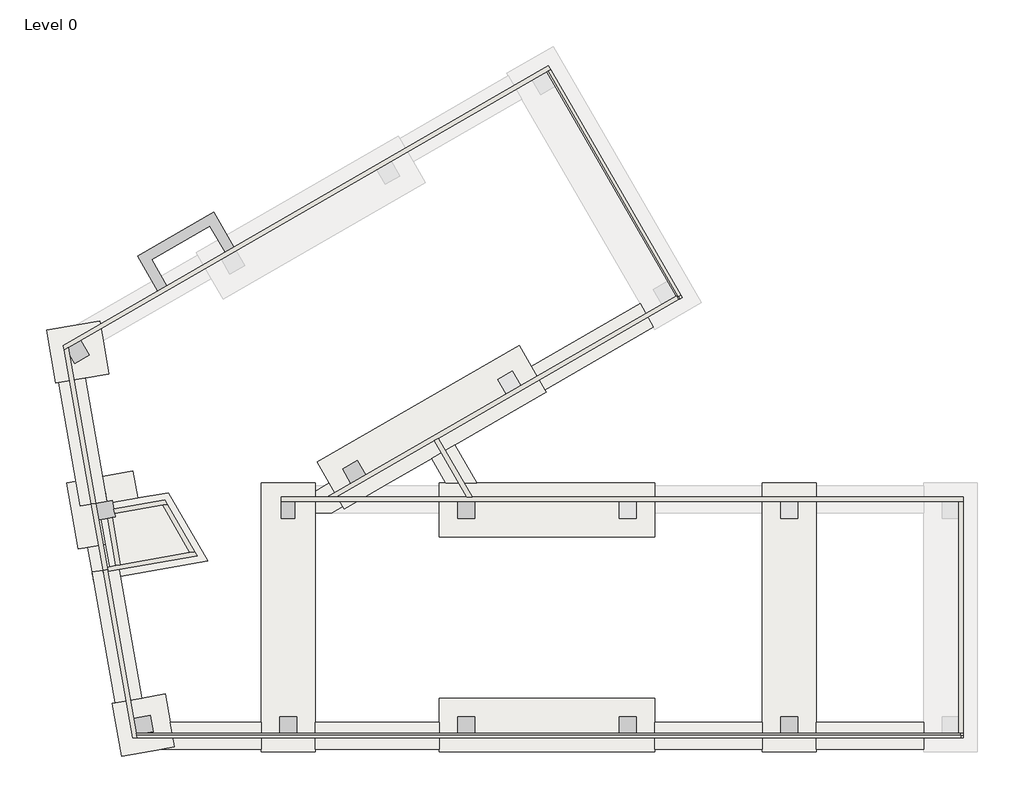
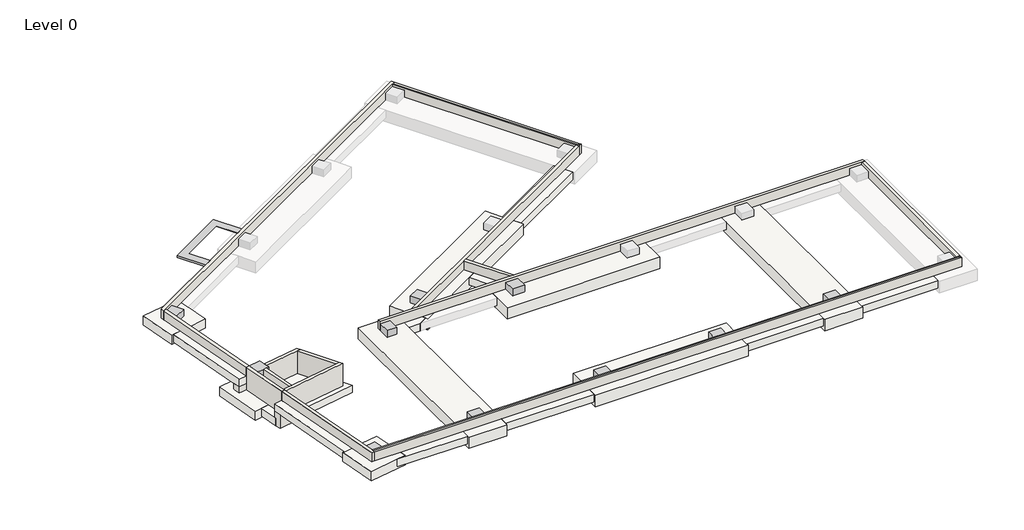
# One storey, part 1 of 2: 16 walls, 10 columns, 9 slabs, 7 footings, 1 proxy.
"""IFC4 building model written with IfcOpenShell, lengths in millimetres."""

from ifc_helpers import new_model, si_unit, frame, origin, place, context, project, spatial, polyline, outline, extrude, faceted_brep, element, save

model = new_model("IFC4")

# Units and contexts
model_context = context("Model", 3, world=origin())
ifc_project = project(units=[si_unit("LENGTHUNIT", "METRE", prefix="MILLI")], contexts=[model_context])

# Site, building, storey
site = spatial("IfcSite", under=ifc_project)
building = spatial("IfcBuilding", under=site)
storey = spatial("IfcBuildingStorey", under=building, Name="Level 0", Elevation=-762.0)

# Proxy
placement = place(None, origin())
element("IfcBuildingElementProxy", 1, Name="Thickened 24\" x 12\"", ObjectType="Thickened 24\" x 12\"", at=placement, inside=storey, context=model_context, shape_type="Brep", body=[
    faceted_brep([(651.5082497, 19689.2551409, -304.8), (915.4727928, 19841.6551409, -304.8), (1047.4550643, 19917.8551409, -152.4), (651.5082497, 19689.2551409, -152.4), (-262.8917503, 21273.0423994, -304.8), (-262.8917503, 21273.0423994, -152.4), (153.4727928, 21161.4778563, -304.8), (361.6550643, 21105.6955848, -152.4), (3179.6924243, 23260.6192993, -304.8), (3179.6924243, 23260.6192993, -152.4), (3068.1278813, 22844.2547563, -304.8), (3012.3456097, 22636.0724847, -152.4), (3830.1278813, 21524.4320409, -304.8), (4094.0924243, 21676.8320409, -304.8), (4094.0924243, 21676.8320409, -152.4), (3698.1456097, 21448.2320409, -152.4)], [[[0, 1, 2, 3]], [[4, 0, 3, 5]], [[1, 6, 7, 2]], [[4, 6, 1, 0]], [[8, 4, 5, 9]], [[6, 10, 11, 7]], [[6, 4, 8, 10]], [[12, 13, 14, 15]], [[13, 8, 9, 14]], [[10, 12, 15, 11]], [[10, 8, 13, 12]], [[3, 2, 7, 11, 15, 14, 9, 5]]]),
])

# Columns
element("IfcColumn", 2, ObjectType="Concrete-Rectangular-Column : 24\"x30\"", at=placement, inside=storey, context=model_context, shape_type="SweptSolid", body=[
    extrude(outline(polyline([(6861.2487391, 10134.6), (6861.2487391, 9372.6), (6251.6487391, 9372.6), (6251.6487391, 10134.6), (6861.2487391, 10134.6)])), frame((0.0, 0.0, -762.0), z_axis=(0.0, 0.0, 1.0), x_axis=(1.0, 0.0, 0.0)), (0.0, 0.0, 1.0), 457.2),
])
element("IfcColumn", 3, ObjectType="Concrete-Square-Column : 30\"x30\"", at=placement, inside=storey, context=model_context, shape_type="SweptSolid", body=[
    extrude(outline(polyline([(14249.4, 9372.6), (14249.4, 10134.6), (15011.4, 10134.6), (15011.4, 9372.6), (14249.4, 9372.6)])), frame((0.0, 0.0, -762.0), z_axis=(0.0, 0.0, 1.0), x_axis=(1.0, 0.0, 0.0)), (0.0, 0.0, 1.0), 457.2),
])
element("IfcColumn", 4, ObjectType="Concrete-Square-Column : 30\"x30\"", at=placement, inside=storey, context=model_context, shape_type="SweptSolid", body=[
    extrude(outline(polyline([(-441.3717096, 309.0517982), (309.0517982, 441.3717096), (441.3717096, -309.0517982), (33.3331808, -381.0), (-319.6969595, -381.0), (-441.3717096, 309.0517982)])), frame((0.0, 0.0, -762.0), z_axis=(0.0, 0.0, 1.0), x_axis=(1.0, 0.0, 0.0)), (0.0, 0.0, 1.0), 457.2),
])
element("IfcColumn", 5, ObjectType="Concrete-Square-Column : 30\"x30\"", at=placement, inside=storey, context=model_context, shape_type="Brep", body=[
    faceted_brep([(-2028.8746372, 9312.2282904, -1676.4), (-2161.1945486, 10062.6517982, -1676.4), (-1660.9122101, 10150.8650725, -1676.4), (-1410.7710408, 10194.9717096, -1676.4), (-1340.2004214, 9794.7458388, -1676.4), (-1304.9151117, 9594.6329034, -1676.4), (-1278.4511294, 9444.5482018, -1676.4), (-1428.535831, 9418.0842195, -1676.4), (-1628.6487664, 9382.7989098, -1676.4), (-2028.8746372, 9312.2282904, -152.4), (-2161.1945486, 10062.6517982, -152.4), (-2161.1945486, 10062.6517982, -762.0), (-1410.7710408, 10194.9717096, -152.4), (-1340.2004214, 9794.7458388, -152.4), (-1304.9151117, 9594.6329034, -152.4), (-1278.4511294, 9444.5482018, -152.4), (-1428.535831, 9418.0842195, -152.4), (-1628.6487664, 9382.7989098, -152.4)], [[[0, 1, 2, 3, 4, 5, 6, 7, 8]], [[1, 0, 9, 10, 11]], [[10, 12, 3, 2, 1, 11]], [[3, 12, 13, 14, 15, 6, 5, 4]], [[9, 0, 8, 7, 6, 15, 16, 17]], [[10, 9, 17, 16, 15, 14, 13, 12]]]),
])
element("IfcColumn", 6, ObjectType="Concrete-Square-Column : 30\"x30\"", at=placement, inside=storey, context=model_context, shape_type="SweptSolid", body=[
    extrude(outline(polyline([(6937.4487391, 381.0), (6937.4487391, -381.0), (6175.4487391, -381.0), (6175.4487391, 381.0), (6937.4487391, 381.0)])), frame((0.0, 0.0, -762.0), z_axis=(0.0, 0.0, 1.0), x_axis=(1.0, 0.0, 0.0)), (0.0, 0.0, 1.0), 457.2),
])
element("IfcColumn", 7, ObjectType="Concrete-Square-Column : 30\"x30\"", at=placement, inside=storey, context=model_context, shape_type="SweptSolid", body=[
    extrude(outline(polyline([(14249.4, -381.0), (14249.4, 381.0), (15011.4, 381.0), (15011.4, -381.0), (14249.4, -381.0)])), frame((0.0, 0.0, -762.0), z_axis=(0.0, 0.0, 1.0), x_axis=(1.0, 0.0, 0.0)), (0.0, 0.0, 1.0), 457.2),
])
element("IfcColumn", 8, ObjectType="Concrete-Square-Column : 30\"x30\"", at=placement, inside=storey, context=model_context, shape_type="SweptSolid", body=[
    extrude(outline(polyline([(21564.6, -381.0), (21564.6, 381.0), (22326.6, 381.0), (22326.6, -381.0), (21564.6, -381.0)])), frame((0.0, 0.0, -762.0), z_axis=(0.0, 0.0, 1.0), x_axis=(1.0, 0.0, 0.0)), (0.0, 0.0, 1.0), 457.2),
])
element("IfcColumn", 9, ObjectType="Concrete-Square-Column : 30\"x30\"", at=placement, inside=storey, context=model_context, shape_type="SweptSolid", body=[
    extrude(outline(polyline([(28879.8, -381.0), (28879.8, 381.0), (29641.8, 381.0), (29641.8, -381.0), (28879.8, -381.0)])), frame((0.0, 0.0, -762.0), z_axis=(0.0, 0.0, 1.0), x_axis=(1.0, 0.0, 0.0)), (0.0, 0.0, 1.0), 457.2),
])
element("IfcColumn", 10, ObjectType="Concrete-Square-Column : 30\"x30\"", at=placement, inside=storey, context=model_context, shape_type="SweptSolid", body=[
    extrude(outline(polyline([(9403.1810667, 10957.2207705), (9022.1810667, 11617.1321282), (9682.0924243, 11998.1321282), (10063.0924243, 11338.2207705), (9403.1810667, 10957.2207705)])), frame((0.0, 0.0, -762.0), z_axis=(0.0, 0.0, 1.0), x_axis=(1.0, 0.0, 0.0)), (0.0, 0.0, 1.0), 457.2),
])
element("IfcColumn", 11, ObjectType="Concrete-Square-Column : 30\"x30\"", at=placement, inside=storey, context=model_context, shape_type="SweptSolid", body=[
    extrude(outline(polyline([(-2843.3620576, 17436.8556788), (-2462.3620576, 16776.9443212), (-3122.2734153, 16395.9443212), (-3346.3637051, 16784.0800886), (-3404.3551901, 17112.9661428), (-2843.3620576, 17436.8556788)])), frame((0.0, 0.0, -762.0), z_axis=(0.0, 0.0, 1.0), x_axis=(1.0, 0.0, 0.0)), (0.0, 0.0, 1.0), 457.2),
])

# Footings
element("IfcFooting", 12, ObjectType="Bearing Footing - 48\" x 18\"", at=placement, inside=storey, context=model_context, shape_type="Brep", body=[
    faceted_brep([(-2332.310177, 6937.4591831, -1270.0), (-2332.310177, 6937.4591831, -762.0), (-1832.0278385, 7025.6724573, -762.0), (-1832.0278385, 7025.6724573, -1270.0), (-1131.6325646, 7149.1710413, -762.0), (-1131.6325646, 7149.1710413, -1270.0), (-1631.9149031, 7060.957767, -1270.0), (-1631.9149031, 7060.957767, -762.0), (-1614.2722482, 6960.9012993, -762.0), (-1814.3851837, 6925.6159896, -762.0), (-1287.3188861, 1011.0190728, -762.0), (-86.6412736, 1222.730931, -762.0), (-2252.9182302, 6487.2050784, -1270.0), (-1287.3188861, 1011.0190728, -1270.0), (-1052.2406177, 6698.9169366, -1270.0), (-86.6412736, 1222.730931, -1270.0), (-1814.3851837, 6925.6159896, -1270.0), (-1614.2722482, 6960.9012993, -1270.0)], [[[0, 1, 2, 3]], [[4, 5, 6, 7]], [[4, 7, 8, 9, 2, 1, 10, 11]], [[1, 0, 12, 13, 10]], [[6, 5, 14, 15, 13, 12, 0, 3, 16, 17]], [[5, 4, 11, 15, 14]], [[11, 10, 13, 15]], [[7, 6, 17, 8]], [[3, 2, 9, 16]], [[8, 17, 16, 9]]]),
])
element("IfcFooting", 13, ObjectType="Bearing Footing - 48\" x 18\"", at=placement, inside=storey, context=model_context, shape_type="SweptSolid", body=[
    extrude(outline(polyline([(826.9189697, -1092.2), (1412.3894707, -988.9657543), (1215.6145987, 127.0), (5337.2487391, 127.0), (5337.2487391, -1092.2), (826.9189697, -1092.2)])), frame((0.0, 0.0, -1270.0), z_axis=(0.0, 0.0, 1.0), x_axis=(1.0, 0.0, 0.0)), (0.0, 0.0, 1.0), 508.0),
    extrude(outline(polyline([(28041.6, 127.0), (28041.6, -1092.2), (23164.8, -1092.2), (23164.8, 127.0), (28041.6, 127.0)])), frame((0.0, 0.0, -1270.0), z_axis=(0.0, 0.0, 1.0), x_axis=(1.0, 0.0, 0.0)), (0.0, 0.0, 1.0), 508.0),
    extrude(outline(polyline([(30480.0, -1092.2), (30480.0, 127.0), (35356.8, 127.0), (35356.8, -1092.2), (30480.0, -1092.2)])), frame((0.0, 0.0, -1270.0), z_axis=(0.0, 0.0, 1.0), x_axis=(1.0, 0.0, 0.0)), (0.0, 0.0, 1.0), 508.0),
    extrude(outline(polyline([(13411.2, 127.0), (13411.2, -1092.2), (7775.6487391, -1092.2), (7775.6487391, 127.0), (13411.2, 127.0)])), frame((0.0, 0.0, -1270.0), z_axis=(0.0, 0.0, 1.0), x_axis=(1.0, 0.0, 0.0)), (0.0, 0.0, 1.0), 508.0),
])
element("IfcFooting", 14, ObjectType="Bearing Footing - 48\" x 18\"", at=placement, inside=storey, context=model_context, shape_type="SweptSolid", body=[
    extrude(outline(polyline([(13055.8467193, 12098.2182771), (14111.7048916, 12707.8182771), (15113.4181609, 10972.8), (13705.6072645, 10972.8), (13055.8467193, 12098.2182771)])), frame((0.0, 0.0, -1270.0), z_axis=(0.0, 0.0, 1.0), x_axis=(1.0, 0.0, 0.0)), (0.0, 0.0, 1.0), 508.0),
])
element("IfcFooting", 15, ObjectType="Bearing Footing - 48\" x 18\"", at=placement, inside=storey, context=model_context, shape_type="Brep", body=[
    faceted_brep([(17574.0493998, 16261.2616756, -762.0), (18183.6493998, 15205.4035033, -762.0), (23110.9875371, 18050.2035033, -762.0), (22501.3875371, 19106.0616756, -762.0), (18183.6493998, 15205.4035033, -1270.0), (23110.9875371, 18050.2035033, -1270.0), (17574.0493998, 16261.2616756, -1270.0), (22501.3875371, 19106.0616756, -1270.0)], [[[0, 1, 2, 3]], [[1, 4, 5, 2]], [[4, 6, 7, 5]], [[6, 0, 3, 7]], [[1, 0, 6, 4]], [[3, 2, 5, 7]]]),
    faceted_brep([(9032.8785732, 9922.2035033, -762.0), (8423.2785732, 10978.0616756, -762.0), (8194.1946311, 10845.8, -762.0), (7775.6487391, 10604.1524166, -762.0), (7775.6487391, 9626.6, -762.0), (8520.8782865, 9626.6, -762.0), (8520.8782865, 9626.6, -1270.0), (9032.8785732, 9922.2035033, -1270.0), (8423.2785732, 10978.0616756, -1270.0), (7775.6487391, 9626.6, -1270.0), (7775.6487391, 10604.1524166, -1270.0), (8194.1946311, 10845.8, -1270.0)], [[[0, 1, 2, 3, 4, 5]], [[5, 6, 7, 0]], [[8, 7, 6, 9, 10, 11]], [[1, 8, 11, 10, 3, 2]], [[6, 5, 4, 9]], [[1, 0, 7, 8]], [[4, 3, 10, 9]]]),
])
element("IfcFooting", 16, ObjectType="Bearing Footing - 48\" x 18\"", at=placement, inside=storey, context=model_context, shape_type="Brep", body=[
    faceted_brep([(-2314.6675222, 6837.4027154, -1676.4), (-2314.6675222, 6837.4027154, -2184.4), (-1113.9899097, 7049.1145736, -2184.4), (-1113.9899097, 7049.1145736, -2133.6), (-1514.2157805, 6978.5439542, -2133.6), (-1514.2157805, 6978.5439542, -1676.4), (-2530.7900441, 8063.0944448, -1676.4), (-2332.310177, 6937.4591831, -1676.4), (-1730.3383025, 8204.2356836, -1676.4), (-2530.7900441, 8063.0944448, -2184.4), (-1330.1124316, 8274.806303, -2184.4), (-1149.2752194, 7249.227509, -2184.4), (-1330.1124316, 8274.806303, -2133.6), (-1149.2752194, 7249.227509, -2133.6), (-1730.3383025, 8204.2356836, -2133.6)], [[[0, 1, 2, 3, 4, 5]], [[6, 7, 0, 5, 8]], [[1, 0, 7, 6, 9]], [[2, 1, 9, 10, 11]], [[2, 11, 10, 12, 13, 3]], [[9, 6, 8, 14, 12, 10]], [[14, 4, 3, 13, 12]], [[4, 14, 8, 5]]]),
])
element("IfcFooting", 17, ObjectType="Bearing Footing - 48\" x 18\"", at=placement, inside=storey, context=model_context, shape_type="Brep", body=[
    faceted_brep([(-2861.5898226, 9939.1532142, -762.0), (-2861.5898226, 9939.1532142, -1270.0), (-1660.9122101, 10150.8650725, -1270.0), (-1660.9122101, 10150.8650725, -762.0), (-2646.0352936, 15737.7757061, -762.0), (-3846.7129061, 15526.0638479, -762.0), (-3846.7129061, 15526.0638479, -1270.0), (-2940.9817694, 10389.4073189, -1270.0), (-2646.0352936, 15737.7757061, -1270.0), (-1740.3041569, 10601.1191771, -1270.0)], [[[0, 1, 2, 3]], [[0, 3, 4, 5]], [[1, 0, 5, 6, 7]], [[2, 1, 7, 6, 8, 9]], [[3, 2, 9, 8, 4]], [[5, 4, 8, 6]]]),
])
element("IfcFooting", 18, ObjectType="Bearing Footing - 48\" x 18\"", at=placement, inside=storey, context=model_context, shape_type="SweptSolid", body=[
    extrude(outline(polyline([(-729.7736254, 8380.6622321), (-548.9364132, 7355.0834381), (-1149.2752194, 7249.227509), (-1330.1124316, 8274.806303), (-729.7736254, 8380.6622321)])), frame((0.0, 0.0, -2184.4), z_axis=(0.0, 0.0, 1.0), x_axis=(1.0, 0.0, 0.0)), (0.0, 0.0, 1.0), 50.8),
])

# Slabs
element("IfcSlab", 19, ObjectType="Elevator Pad", at=placement, inside=storey, context=model_context, shape_type="Brep", body=[
    faceted_brep([(1124.539795, 10538.8480707, -2133.6), (2908.5274128, 7448.8908766, -2133.6), (-1061.0619452, 6748.9451705, -2133.6), (-1461.287816, 6678.3745511, -2133.6), (-1514.2157805, 6978.5439542, -2133.6), (-1730.3383025, 8204.2356836, -2133.6), (-2043.4954261, 9980.2379854, -2133.6), (-267.4931243, 10293.395109, -2133.6), (1124.539795, 10538.8480707, -1676.4), (-267.4931243, 10293.395109, -1676.4), (-2043.4954261, 9980.2379854, -1676.4), (-1730.3383025, 8204.2356836, -1676.4), (-1514.2157805, 6978.5439542, -1676.4), (-1461.287816, 6678.3745511, -1676.4), (-1061.0619452, 6748.9451705, -1676.4), (2908.5274128, 7448.8908766, -1676.4)], [[[0, 1, 2, 3, 4, 5, 6, 7]], [[8, 9, 10, 11, 12, 13, 14, 15]], [[1, 0, 8, 15]], [[3, 2, 1, 15, 14, 13]], [[6, 5, 4, 3, 13, 12, 11, 10]], [[0, 7, 6, 10, 9, 8]]]),
])
element("IfcSlab", 20, ObjectType="Footing-Rectangular : 120\"x120\"x24\"", at=placement, inside=storey, context=model_context, shape_type="Brep", body=[
    faceted_brep([(-483.6156462, 11519.0868384, -1676.4), (-3485.3096774, 10989.8071928, -1676.4), (-2956.0300319, 7988.1131616, -1676.4), (-2530.7900441, 8063.0944448, -1676.4), (-1730.3383025, 8204.2356836, -1676.4), (-2043.4954261, 9980.2379854, -1676.4), (-267.4931243, 10293.395109, -1676.4), (-2956.0300319, 7988.1131616, -2286.0), (-3485.3096774, 10989.8071928, -2286.0), (-483.6156462, 11519.0868384, -2286.0), (45.6639993, 8517.3928072, -2286.0), (45.6639993, 8517.3928072, -2133.6), (-729.7736254, 8380.6622321, -2133.6), (-1330.1124316, 8274.806303, -2133.6), (-1730.3383025, 8204.2356836, -2133.6), (-267.4931243, 10293.395109, -2133.6), (-2043.4954261, 9980.2379854, -2133.6)], [[[0, 1, 2, 3, 4, 5, 6]], [[7, 8, 9, 10]], [[7, 10, 11, 12, 13, 14, 4, 3, 2]], [[10, 9, 0, 6, 15, 11]], [[1, 0, 9, 8]], [[2, 1, 8, 7]], [[15, 16, 14, 13, 12, 11]], [[16, 5, 4, 14]], [[5, 16, 15, 6]]]),
])
element("IfcSlab", 21, ObjectType="Footing-Rectangular : 96\"x384\"x30\"", at=placement, inside=storey, context=model_context, shape_type="Brep", body=[
    faceted_brep([(23164.8, 8534.4, -762.0), (23164.8, 9626.6, -762.0), (23164.8, 10845.8, -762.0), (23164.8, 10972.8, -762.0), (15113.4181609, 10972.8, -762.0), (13705.6072645, 10972.8, -762.0), (13411.2, 10972.8, -762.0), (13411.2, 10845.8, -762.0), (13411.2, 9626.6, -762.0), (13411.2, 8534.4, -762.0), (23164.8, 8534.4, -1524.0), (13411.2, 8534.4, -1524.0), (13411.2, 10972.8, -1524.0), (23164.8, 10972.8, -1524.0)], [[[0, 1, 2, 3, 4, 5, 6, 7, 8, 9]], [[10, 11, 12, 13]], [[3, 2, 1, 0, 10, 13]], [[6, 5, 4, 3, 13, 12]], [[9, 8, 7, 6, 12, 11]], [[0, 9, 11, 10]]]),
])
element("IfcSlab", 22, ObjectType="Footing-Rectangular : 96\"x384\"x30\"", at=placement, inside=storey, context=model_context, shape_type="Brep", body=[
    faceted_brep([(23164.8, -1219.2, -762.0), (23164.8, -1092.2, -762.0), (23164.8, 127.0, -762.0), (23164.8, 1219.2, -762.0), (13411.2, 1219.2, -762.0), (13411.2, 127.0, -762.0), (13411.2, -1092.2, -762.0), (13411.2, -1219.2, -762.0), (23164.8, -1219.2, -1524.0), (13411.2, -1219.2, -1524.0), (13411.2, 1219.2, -1524.0), (23164.8, 1219.2, -1524.0)], [[[0, 1, 2, 3, 4, 5, 6, 7]], [[8, 9, 10, 11]], [[3, 2, 1, 0, 8, 11]], [[4, 3, 11, 10]], [[7, 6, 5, 4, 10, 9]], [[0, 7, 9, 8]]]),
])
element("IfcSlab", 23, ObjectType="Footing-Rectangular : 96\"x416\"x30\"", at=placement, inside=storey, context=model_context, shape_type="Brep", body=[
    faceted_brep([(7877.1785732, 11923.9346216, -762.0), (8423.2785732, 10978.0616756, -762.0), (9032.8785732, 9922.2035033, -762.0), (9096.3785732, 9812.2182771, -762.0), (10886.5946311, 10845.8, -762.0), (13055.8467193, 12098.2182771, -762.0), (14111.7048916, 12707.8182771, -762.0), (18247.1493998, 15095.4182771, -762.0), (18183.6493998, 15205.4035033, -762.0), (17574.0493998, 16261.2616756, -762.0), (17027.9493998, 17207.1346216, -762.0), (7877.1785732, 11923.9346216, -1524.0), (17027.9493998, 17207.1346216, -1524.0), (18247.1493998, 15095.4182771, -1524.0), (9096.3785732, 9812.2182771, -1524.0), (9096.3785732, 9812.2182771, -1270.0)], [[[0, 1, 2, 3, 4, 5, 6, 7, 8, 9, 10]], [[11, 12, 13, 14]], [[3, 2, 1, 0, 11, 14, 15]], [[7, 6, 5, 4, 3, 15, 14, 13]], [[10, 9, 8, 7, 13, 12]], [[0, 10, 12, 11]]]),
])
element("IfcSlab", 24, ObjectType="Footing-Rectangular : 96\"x480\"x30\"", at=placement, inside=storey, context=model_context, shape_type="Brep", body=[
    faceted_brep([(30480.0, 10972.8, -762.0), (28041.6, 10972.8, -762.0), (28041.6, 10845.8, -762.0), (28041.6, 9626.6, -762.0), (28041.6, 127.0, -762.0), (28041.6, -1092.2, -762.0), (28041.6, -1219.2, -762.0), (30480.0, -1219.2, -762.0), (30480.0, -1092.2, -762.0), (30480.0, 127.0, -762.0), (30480.0, 9626.6, -762.0), (30480.0, 10845.8, -762.0), (30480.0, 10972.8, -1524.0), (30480.0, -1219.2, -1524.0), (28041.6, -1219.2, -1524.0), (28041.6, 10972.8, -1524.0)], [[[0, 1, 2, 3, 4, 5, 6, 7, 8, 9, 10, 11]], [[12, 13, 14, 15]], [[1, 0, 12, 15]], [[6, 5, 4, 3, 2, 1, 15, 14]], [[7, 6, 14, 13]], [[0, 11, 10, 9, 8, 7, 13, 12]]]),
])
element("IfcSlab", 25, ObjectType="Footing-Rectangular : 96\"x480\"x30\"", at=placement, inside=storey, context=model_context, shape_type="Brep", body=[
    faceted_brep([(5337.2487391, -1219.2, -762.0), (7775.6487391, -1219.2, -762.0), (7775.6487391, -1092.2, -762.0), (7775.6487391, 127.0, -762.0), (7775.6487391, 9626.6, -762.0), (7775.6487391, 10604.1524166, -762.0), (7775.6487391, 10845.8, -762.0), (7775.6487391, 10972.8, -762.0), (5337.2487391, 10972.8, -762.0), (5337.2487391, 127.0, -762.0), (5337.2487391, -1092.2, -762.0), (5337.2487391, -1219.2, -1524.0), (5337.2487391, 10972.8, -1524.0), (7775.6487391, 10972.8, -1524.0), (7775.6487391, -1219.2, -1524.0)], [[[0, 1, 2, 3, 4, 5, 6, 7, 8, 9, 10]], [[11, 12, 13, 14]], [[1, 0, 11, 14]], [[7, 6, 5, 4, 3, 2, 1, 14, 13]], [[8, 7, 13, 12]], [[0, 10, 9, 8, 12, 11]]]),
])
element("IfcSlab", 26, ObjectType="Footing-Rectangular : 96\"x96\"x24\"", at=placement, inside=storey, context=model_context, shape_type="Brep", body=[
    faceted_brep([(-3971.7834907, 15504.0105293, -762.0), (-3846.7129061, 15526.0638479, -762.0), (-2646.0352936, 15737.7757061, -762.0), (-1570.4282658, 15927.4342457, -762.0), (-1835.7282872, 17432.0254339, -762.0), (-1993.8519822, 18328.7894707, -762.0), (-3040.5595272, 18144.2266896, -762.0), (-4395.2072071, 17905.3657543, -762.0), (-3971.7834907, 15504.0105293, -1371.6), (-4395.2072071, 17905.3657543, -1371.6), (-1993.8519822, 18328.7894707, -1371.6), (-1570.4282658, 15927.4342457, -1371.6), (-1993.8519822, 18328.7894707, -1270.0)], [[[0, 1, 2, 3, 4, 5, 6, 7]], [[8, 9, 10, 11]], [[3, 2, 1, 0, 8, 11]], [[5, 4, 3, 11, 10, 12]], [[7, 6, 5, 12, 10, 9]], [[0, 7, 9, 8]]]),
])
element("IfcSlab", 27, ObjectType="Footing-Rectangular : 96\"x96\"x24\"", at=placement, inside=storey, context=model_context, shape_type="Brep", body=[
    faceted_brep([(-988.9657543, -1412.3894707, -762.0), (826.9189697, -1092.2, -762.0), (1412.3894707, -988.9657543, -762.0), (1215.6145987, 127.0, -762.0), (988.9657543, 1412.3894707, -762.0), (-86.6412736, 1222.730931, -762.0), (-1287.3188861, 1011.0190728, -762.0), (-1412.3894707, 988.9657543, -762.0), (-988.9657543, -1412.3894707, -1371.6), (-1412.3894707, 988.9657543, -1371.6), (988.9657543, 1412.3894707, -1371.6), (1412.3894707, -988.9657543, -1371.6), (1412.3894707, -988.9657543, -1270.0)], [[[0, 1, 2, 3, 4, 5, 6, 7]], [[8, 9, 10, 11]], [[2, 1, 0, 8, 11, 12]], [[4, 3, 2, 12, 11, 10]], [[7, 6, 5, 4, 10, 9]], [[0, 7, 9, 8]]]),
])

# Walls
element("IfcWall", 28, ObjectType="18\"FtgStep", at=placement, inside=storey, context=model_context, shape_type="Brep", body=[
    faceted_brep([(-2861.5898226, 9939.1532142, -1676.4), (-2361.307484, 10027.3664885, -1676.4), (-2161.1945486, 10062.6517982, -1676.4), (-1660.9122101, 10150.8650725, -1676.4), (-1660.9122101, 10150.8650725, -1270.0), (-2861.5898226, 9939.1532142, -1270.0), (-1740.3041569, 10601.1191771, -1676.4), (-2940.9817694, 10389.4073189, -1676.4), (-2940.9817694, 10389.4073189, -1270.0), (-1740.3041569, 10601.1191771, -1270.0)], [[[0, 1, 2, 3, 4, 5]], [[6, 7, 8, 9]], [[3, 2, 1, 0, 7, 6]], [[3, 6, 9, 4]], [[7, 0, 5, 8]], [[5, 4, 9, 8]]]),
])
element("IfcWall", 29, ObjectType="18\"FtgStep", at=placement, inside=storey, context=model_context, shape_type="Brep", body=[
    faceted_brep([(-2252.9182302, 6487.2050784, -2184.4), (-1052.2406177, 6698.9169366, -2184.4), (-1052.2406177, 6698.9169366, -1270.0), (-2252.9182302, 6487.2050784, -1270.0), (-1832.0278385, 7025.6724573, -762.0), (-1631.9149031, 7060.957767, -762.0), (-1631.9149031, 7060.957767, -1270.0), (-1131.6325646, 7149.1710413, -1270.0), (-1131.6325646, 7149.1710413, -1676.4), (-1631.9149031, 7060.957767, -1676.4), (-2332.310177, 6937.4591831, -1676.4), (-2332.310177, 6937.4591831, -1270.0), (-1832.0278385, 7025.6724573, -1270.0), (-2314.6675222, 6837.4027154, -2184.4), (-1113.9899097, 7049.1145736, -2184.4), (-1113.9899097, 7049.1145736, -2133.6), (-1061.0619452, 6748.9451705, -2133.6), (-1061.0619452, 6748.9451705, -1676.4), (-1113.9899097, 7049.1145736, -1676.4), (-1814.3851837, 6925.6159896, -762.0), (-1614.2722482, 6960.9012993, -762.0), (-2314.6675222, 6837.4027154, -1676.4), (-1814.3851837, 6925.6159896, -1270.0), (-1614.2722482, 6960.9012993, -1270.0), (-1514.2157805, 6978.5439542, -1676.4), (-1514.2157805, 6978.5439542, -2133.6), (-1461.287816, 6678.3745511, -1676.4), (-1461.287816, 6678.3745511, -2133.6)], [[[0, 1, 2, 3]], [[4, 5, 6, 7, 8, 9, 10, 11, 12]], [[1, 0, 13, 14]], [[2, 1, 14, 15, 16, 17, 18, 8, 7]], [[5, 4, 19, 20]], [[0, 3, 11, 10, 21, 13]], [[22, 12, 11, 3, 2, 7, 6, 23]], [[23, 6, 5, 20]], [[12, 22, 19, 4]], [[22, 23, 20, 19]], [[14, 13, 21, 24, 25, 15]], [[21, 10, 9, 8, 18, 17, 26, 24]], [[25, 27, 16, 15]], [[27, 26, 17, 16]], [[26, 27, 25, 24]]]),
])
element("IfcWall", 30, ObjectType="Concrete Foundation", at=placement, inside=storey, context=model_context, shape_type="Brep", body=[
    faceted_brep([(-3591.625323, 17004.8456811, -762.0), (-3404.3551901, 17112.9661428, -762.0), (-2843.3620576, 17436.8556788, -762.0), (3535.7810667, 21119.8556788, -762.0), (4195.6924243, 21500.8556788, -762.0), (10574.8355486, 25183.8556788, -762.0), (11234.7469063, 25564.8556788, -762.0), (17613.8900306, 29247.8556788, -762.0), (18273.8013883, 29628.8556788, -762.0), (18449.7777503, 29730.4556788, -762.0), (18449.7777503, 29730.4556788, -152.4), (18339.792524, 29666.9556788, -152.4), (18273.8013883, 29628.8556788, -152.4), (-3404.3551901, 17112.9661428, -152.4), (-3591.625323, 17004.8456811, -152.4), (-3629.1751653, 17217.801419, -762.0), (-3629.1751653, 17217.801419, -152.4), (18348.1777503, 29906.4320409, -152.4), (18348.1777503, 29906.4320409, -762.0)], [[[0, 1, 2, 3, 4, 5, 6, 7, 8, 9, 10, 11, 12, 13, 14]], [[15, 16, 17, 18]], [[9, 8, 7, 6, 5, 4, 3, 2, 1, 0, 15, 18]], [[10, 9, 18, 17]], [[0, 14, 16, 15]], [[14, 13, 12, 11, 10, 17, 16]]]),
])
element("IfcWall", 31, ObjectType="Concrete Foundation", at=placement, inside=storey, context=model_context, shape_type="Brep", body=[
    faceted_brep([(18273.8013883, 29628.8556788, -762.0), (18654.8013883, 28968.9443212, -762.0), (23760.2013883, 20126.1321282, -762.0), (24141.2013883, 19466.2207705, -762.0), (24242.8013883, 19290.2444085, -762.0), (24242.8013883, 19290.2444085, -152.4), (24179.3013883, 19400.2296347, -152.4), (24141.2013883, 19466.2207705, -152.4), (18273.8013883, 29628.8556788, -152.4), (18273.8013883, 29628.8556788, -304.8), (24418.7777503, 19391.8444085, -762.0), (18449.7777503, 29730.4556788, -762.0), (18449.7777503, 29730.4556788, -152.4), (24355.2777503, 19501.8296347, -152.4), (24418.7777503, 19391.8444085, -152.4), (24308.792524, 19328.3444085, -152.4), (18339.792524, 29666.9556788, -152.4), (24245.292524, 19438.3296347, -152.4)], [[[0, 1, 2, 3, 4, 5, 6, 7, 8, 9]], [[10, 11, 12, 13, 14]], [[4, 3, 2, 1, 0, 11, 10]], [[5, 4, 10, 14, 15]], [[0, 9, 8, 16, 12, 11]], [[5, 15, 17, 6]], [[12, 16, 17, 13]], [[15, 14, 13, 17]], [[8, 7, 6, 17, 16]]]),
])
element("IfcWall", 32, ObjectType="Concrete Foundation", at=placement, inside=storey, context=model_context, shape_type="Brep", body=[
    faceted_brep([(24141.2013883, 19466.2207705, -762.0), (23481.2900306, 19085.2207705, -762.0), (17102.1469063, 15402.2207705, -762.0), (16442.2355486, 15021.2207705, -762.0), (10063.0924243, 11338.2207705, -762.0), (9403.1810667, 10957.2207705, -762.0), (8330.3128209, 10337.8, -762.0), (8330.3128209, 10337.8, -152.4), (24141.2013883, 19466.2207705, -152.4), (24141.2013883, 19466.2207705, -304.8), (8736.7128209, 10337.8, -762.0), (13178.2876244, 12902.1444085, -762.0), (13354.2639865, 13003.7444085, -762.0), (24242.8013883, 19290.2444085, -762.0), (24242.8013883, 19290.2444085, -152.4), (13354.2639865, 13003.7444085, -152.4), (13178.2876244, 12902.1444085, -152.4), (8736.7128209, 10337.8, -152.4), (24179.3013883, 19400.2296347, -152.4)], [[[0, 1, 2, 3, 4, 5, 6, 7, 8, 9]], [[10, 11, 12, 13, 14, 15, 16, 17]], [[6, 5, 4, 3, 2, 1, 0, 13, 12, 11, 10]], [[0, 9, 8, 18, 14, 13]], [[7, 6, 10, 17]], [[15, 14, 18, 8, 7, 17, 16]]]),
])
element("IfcWall", 33, ObjectType="Concrete Foundation", at=placement, inside=storey, context=model_context, shape_type="Brep", body=[
    faceted_brep([(-283.867317, -584.2, -762.0), (-319.6969595, -381.0, -762.0), (-441.3717096, 309.0517982, -762.0), (-1614.2722482, 6960.9012993, -762.0), (-1631.9149031, 7060.957767, -762.0), (-1631.9149031, 7060.957767, -152.4), (-1614.2722482, 6960.9012993, -152.4), (-319.6969595, -381.0, -152.4), (-306.2608435, -457.2, -152.4), (-283.867317, -584.2, -152.4), (-490.2020045, -584.2, -762.0), (-490.2020045, -584.2, -152.4), (-1832.0278385, 7025.6724573, -152.4), (-1832.0278385, 7025.6724573, -762.0), (-1814.3851837, 6925.6159896, -762.0)], [[[0, 1, 2, 3, 4, 5, 6, 7, 8, 9]], [[10, 11, 12, 13, 14]], [[4, 3, 2, 1, 0, 10, 14, 13]], [[5, 4, 13, 12]], [[0, 9, 11, 10]], [[9, 8, 7, 6, 5, 12, 11]]]),
])
element("IfcWall", 34, ObjectType="Concrete Foundation", at=placement, inside=storey, context=model_context, shape_type="Brep", body=[
    faceted_brep([(37160.2, -381.0, -762.0), (36957.0, -381.0, -762.0), (36195.0, -381.0, -762.0), (29641.8, -381.0, -762.0), (28879.8, -381.0, -762.0), (22326.6, -381.0, -762.0), (21564.6, -381.0, -762.0), (15011.4, -381.0, -762.0), (14249.4, -381.0, -762.0), (6937.4487391, -381.0, -762.0), (6175.4487391, -381.0, -762.0), (33.3331808, -381.0, -762.0), (-319.6969595, -381.0, -762.0), (-319.6969595, -381.0, -304.8), (-319.6969595, -381.0, -152.4), (36957.0, -381.0, -152.4), (37033.2, -381.0, -152.4), (37160.2, -381.0, -152.4), (-283.867317, -584.2, -762.0), (37160.2, -584.2, -762.0), (37160.2, -584.2, -152.4), (37033.2, -584.2, -152.4), (-283.867317, -584.2, -152.4), (37160.2, -457.2, -152.4), (-306.2608435, -457.2, -152.4), (37033.2, -457.2, -152.4)], [[[0, 1, 2, 3, 4, 5, 6, 7, 8, 9, 10, 11, 12, 13, 14, 15, 16, 17]], [[18, 19, 20, 21, 22]], [[12, 11, 10, 9, 8, 7, 6, 5, 4, 3, 2, 1, 0, 19, 18]], [[0, 17, 23, 20, 19]], [[14, 13, 12, 18, 22, 24]], [[22, 21, 25, 24]], [[17, 16, 25, 23]], [[21, 20, 23, 25]], [[16, 15, 14, 24, 25]]]),
])
element("IfcWall", 35, ObjectType="Concrete Foundation", at=placement, inside=storey, context=model_context, shape_type="Brep", body=[
    faceted_brep([(36957.0, 10134.6, -762.0), (36957.0, 9372.6, -762.0), (36957.0, 381.0, -762.0), (36957.0, -381.0, -762.0), (36957.0, -381.0, -304.8), (36957.0, -381.0, -152.4), (36957.0, 10134.6, -152.4), (36957.0, 10134.6, -304.8), (37160.2, 10134.6, -762.0), (37160.2, 10134.6, -152.4), (37160.2, -381.0, -152.4), (37160.2, -381.0, -762.0), (37033.2, -381.0, -152.4)], [[[0, 1, 2, 3, 4, 5, 6, 7]], [[8, 9, 10, 11]], [[3, 2, 1, 0, 8, 11]], [[5, 4, 3, 11, 10, 12]], [[0, 7, 6, 9, 8]], [[6, 5, 12, 10, 9]]]),
])
element("IfcWall", 36, ObjectType="Concrete Foundation", at=placement, inside=storey, context=model_context, shape_type="SweptSolid", body=[
    extrude(outline(polyline([(13354.2639865, 13003.7444085), (14893.4477084, 10337.8), (14658.812559, 10337.8), (13178.2876244, 12902.1444085), (13354.2639865, 13003.7444085)])), frame((0.0, 0.0, -762.0), z_axis=(0.0, 0.0, 1.0), x_axis=(1.0, 0.0, 0.0)), (0.0, 0.0, 1.0), 609.6),
])
element("IfcWall", 37, ObjectType="Concrete Foundation", at=placement, inside=storey, context=model_context, shape_type="Brep", body=[
    faceted_brep([(-1304.9151117, 9594.6329034, -1676.4), (862.4516046, 9976.7981325, -1676.4), (1075.4073424, 10014.3479748, -1676.4), (1075.4073424, 10014.3479748, -152.4), (862.4516046, 9976.7981325, -152.4), (-1304.9151117, 9594.6329034, -152.4), (-1340.2004214, 9794.7458388, -1676.4), (-1340.2004214, 9794.7458388, -152.4), (967.2868808, 10201.6181078, -152.4), (967.2868808, 10201.6181078, -1676.4)], [[[0, 1, 2, 3, 4, 5]], [[6, 7, 8, 9]], [[2, 1, 0, 6, 9]], [[5, 4, 3, 8, 7]], [[0, 5, 7, 6]], [[3, 2, 9, 8]]]),
])
element("IfcWall", 38, ObjectType="Concrete Foundation", at=placement, inside=storey, context=model_context, shape_type="Brep", body=[
    faceted_brep([(2426.9131135, 7673.4713126, -152.4), (-1614.2722482, 6960.9012993, -152.4), (-1614.2722482, 6960.9012993, -762.0), (-1113.9899097, 7049.1145736, -762.0), (-1113.9899097, 7049.1145736, -1676.4), (2426.9131135, 7673.4713126, -1676.4), (2318.7926518, 7860.7414456, -1676.4), (2105.8369139, 7823.1916033, -1676.4), (-1049.2187517, 7266.8701638, -1676.4), (-1249.3316871, 7231.5848541, -1676.4), (-1649.5575579, 7161.0142347, -1676.4), (-1649.5575579, 7161.0142347, -152.4), (-1249.3316871, 7231.5848541, -152.4), (-1049.2187517, 7266.8701638, -152.4), (2105.8369139, 7823.1916033, -152.4), (2318.7926518, 7860.7414456, -152.4), (-1131.6325646, 7149.1710413, -1676.4), (-1631.9149031, 7060.957767, -1676.4), (-1631.9149031, 7060.957767, -152.4), (-1631.9149031, 7060.957767, -762.0), (-1131.6325646, 7149.1710413, -1270.0), (-1131.6325646, 7149.1710413, -762.0)], [[[0, 1, 2, 3, 4, 5]], [[6, 7, 8, 9, 10, 11, 12, 13, 14, 15]], [[10, 9, 8, 7, 6, 5, 4, 16, 17]], [[1, 0, 15, 14, 13, 12, 11, 18]], [[0, 5, 6, 15]], [[1, 18, 11, 10, 17, 19, 2]], [[16, 20, 21, 19, 17]], [[19, 21, 3, 2]], [[21, 20, 16, 4, 3]]]),
])
element("IfcWall", 39, ObjectType="Concrete Foundation", at=placement, inside=storey, context=model_context, shape_type="SweptSolid", body=[
    extrude(outline(polyline([(1075.4073424, 10014.3479748), (2318.7926518, 7860.7414456), (2105.8369139, 7823.1916033), (862.4516046, 9976.7981325), (1075.4073424, 10014.3479748)])), frame((0.0, 0.0, -1676.4), z_axis=(0.0, 0.0, 1.0), x_axis=(1.0, 0.0, 0.0)), (0.0, 0.0, 1.0), 1524.0),
])
element("IfcWall", 40, ObjectType="Concrete Foundation", at=placement, inside=storey, context=model_context, shape_type="Brep", body=[
    faceted_brep([(6251.6487391, 10134.6, -762.0), (6861.2487391, 10134.6, -762.0), (14249.4, 10134.6, -762.0), (15011.4, 10134.6, -762.0), (21564.6, 10134.6, -762.0), (22326.6, 10134.6, -762.0), (28879.8, 10134.6, -762.0), (29641.8, 10134.6, -762.0), (36195.0, 10134.6, -762.0), (36957.0, 10134.6, -762.0), (37160.2, 10134.6, -762.0), (37160.2, 10134.6, -152.4), (36957.0, 10134.6, -152.4), (6251.6487391, 10134.6, -152.4), (6251.6487391, 10134.6, -304.8), (6251.6487391, 10337.8, -762.0), (6251.6487391, 10337.8, -152.4), (8330.3128209, 10337.8, -152.4), (8736.7128209, 10337.8, -152.4), (14658.812559, 10337.8, -152.4), (14893.4477084, 10337.8, -152.4), (37160.2, 10337.8, -152.4), (37160.2, 10337.8, -762.0), (14893.4477084, 10337.8, -762.0), (14658.812559, 10337.8, -762.0), (8736.7128209, 10337.8, -762.0), (8330.3128209, 10337.8, -762.0)], [[[0, 1, 2, 3, 4, 5, 6, 7, 8, 9, 10, 11, 12, 13, 14]], [[15, 16, 17, 18, 19, 20, 21, 22, 23, 24, 25, 26]], [[10, 9, 8, 7, 6, 5, 4, 3, 2, 1, 0, 15, 26, 25, 24, 23, 22]], [[0, 14, 13, 16, 15]], [[11, 10, 22, 21]], [[13, 12, 11, 21, 20, 19, 18, 17, 16]]]),
])
element("IfcWall", 41, ObjectType="Concrete Foundation", at=placement, inside=storey, context=model_context, shape_type="Brep", body=[
    faceted_brep([(-1614.2722482, 6960.9012993, -1676.4), (-1631.9149031, 7060.957767, -1676.4), (-1649.5575579, 7161.0142347, -1676.4), (-2028.8746372, 9312.2282904, -1676.4), (-2161.1945486, 10062.6517982, -1676.4), (-2161.1945486, 10062.6517982, -762.0), (-2161.1945486, 10062.6517982, -152.4), (-2028.8746372, 9312.2282904, -152.4), (-1649.5575579, 7161.0142347, -152.4), (-1631.9149031, 7060.957767, -152.4), (-1631.9149031, 7060.957767, -762.0), (-1614.2722482, 6960.9012993, -762.0), (-2361.307484, 10027.3664885, -1676.4), (-1814.3851837, 6925.6159896, -1676.4), (-1814.3851837, 6925.6159896, -762.0), (-1832.0278385, 7025.6724573, -762.0), (-1832.0278385, 7025.6724573, -152.4), (-2361.307484, 10027.3664885, -152.4), (-2361.307484, 10027.3664885, -762.0)], [[[0, 1, 2, 3, 4, 5, 6, 7, 8, 9, 10, 11]], [[12, 13, 14, 15, 16, 17, 18]], [[4, 3, 2, 1, 0, 13, 12]], [[9, 8, 7, 6, 17, 16]], [[9, 16, 15, 10]], [[10, 15, 14, 11]], [[0, 11, 14, 13]], [[4, 12, 18, 17, 6, 5]]]),
])
element("IfcWall", 42, ObjectType="Concrete Foundation", at=placement, inside=storey, context=model_context, shape_type="Brep", body=[
    faceted_brep([(-2161.1945486, 10062.6517982, -762.0), (-3346.3637051, 16784.0800886, -762.0), (-3404.3551901, 17112.9661428, -762.0), (-3404.3551901, 17112.9661428, -304.8), (-3404.3551901, 17112.9661428, -152.4), (-2161.1945486, 10062.6517982, -152.4), (-3591.625323, 17004.8456811, -762.0), (-2361.307484, 10027.3664885, -762.0), (-2361.307484, 10027.3664885, -152.4), (-3591.625323, 17004.8456811, -152.4)], [[[0, 1, 2, 3, 4, 5]], [[6, 7, 8, 9]], [[2, 1, 0, 7, 6]], [[0, 5, 8, 7]], [[4, 3, 2, 6, 9]], [[5, 4, 9, 8]]]),
])
element("IfcWall", 43, ObjectType="Concrete Foundation", at=placement, inside=storey, context=model_context, shape_type="SweptSolid", body=[
    extrude(outline(polyline([(-1428.535831, 9418.0842195), (-1049.2187517, 7266.8701638), (-1249.3316871, 7231.5848541), (-1628.6487664, 9382.7989098), (-1428.535831, 9418.0842195)])), frame((0.0, 0.0, -1676.4), z_axis=(0.0, 0.0, 1.0), x_axis=(1.0, 0.0, 0.0)), (0.0, 0.0, 1.0), 1524.0),
])

save(model, "model.ifc")
